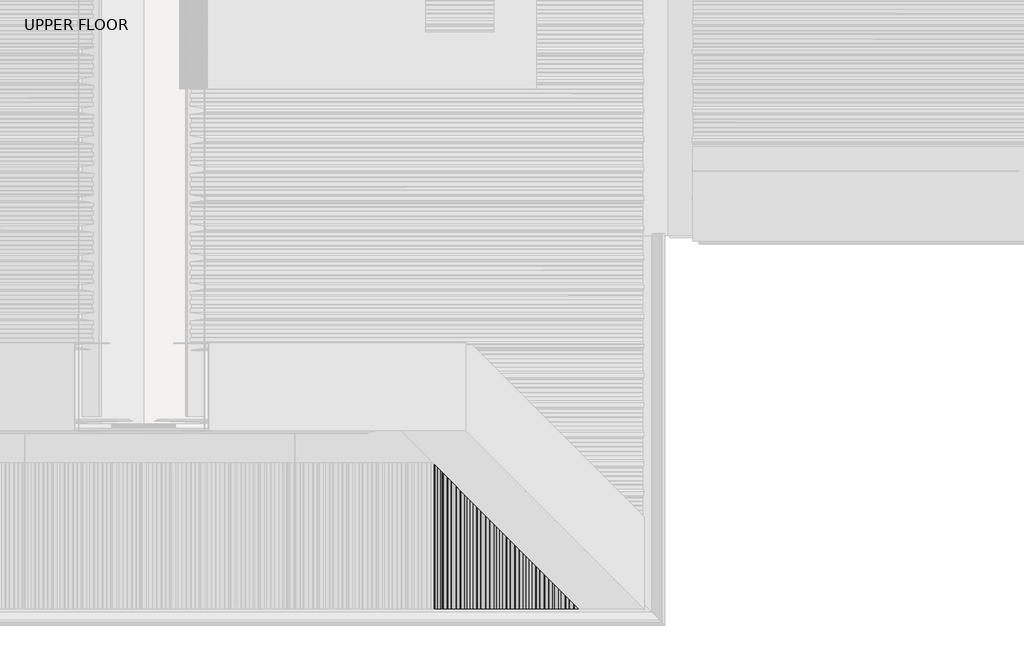
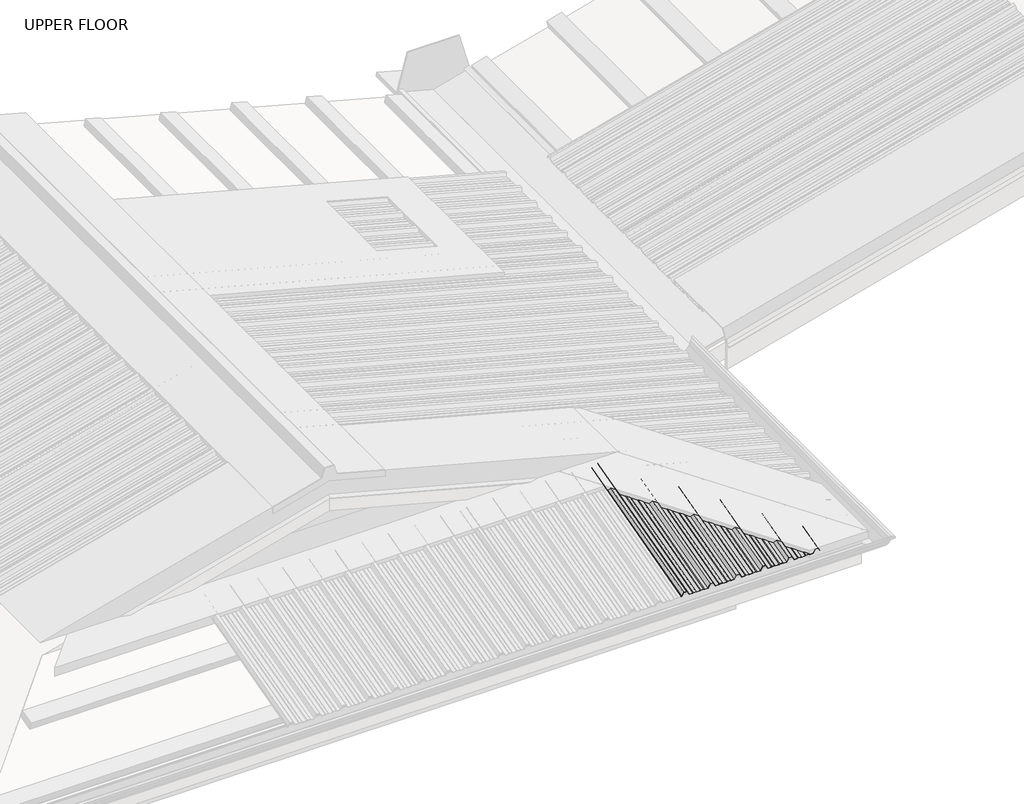
# One storey, part 8 of 21: 1 beam.
"""IFC4 building model written with IfcOpenShell, lengths in millimetres."""

import ifcopenshell
import ifcopenshell.guid

model = None  # the IFC model being written
_history = None  # IfcOwnerHistory: only IFC2X3 demands one
_inside = {}  # id of a spatial element -> (the spatial element, [elements in it])
_under = {}  # id of a project, library or spatial element -> (it, [spatial elements below it])
_declared = {}  # id of a project -> (the project, [libraries it declares])
_typed = {}  # id of a type object -> (the type object, [elements of that type])
_made_of = {}  # id of a material, layer set ... -> (it, [elements and type objects made of it])


def new_model(schema):
    """Start an empty IFC model of exactly this schema.

    Asked for "IFC4X3", IfcOpenShell would pick the latest addendum, in which some entities
    have other attributes; the version numbers below select the first issue.
    IFC2X3 requires an IfcOwnerHistory on every rooted entity: one is made here for all.
    """
    global model, _history
    if schema == "IFC4X3":
        model = ifcopenshell.file(schema_version=(4, 3, 0, 0))
    else:
        model = ifcopenshell.file(schema=schema)
    _inside.clear()
    _under.clear()
    _declared.clear()
    _typed.clear()
    _made_of.clear()
    _history = None
    if model.schema == "IFC2X3":
        org = make("IfcOrganization", Name="unknown")
        user = make(
            "IfcPersonAndOrganization",
            ThePerson=make("IfcPerson", FamilyName="unknown"),
            TheOrganization=org,
        )
        app = make(
            "IfcApplication",
            ApplicationDeveloper=org,
            Version="unknown",
            ApplicationFullName="unknown",
            ApplicationIdentifier="unknown",
        )
        _history = make(
            "IfcOwnerHistory",
            OwningUser=user,
            OwningApplication=app,
            ChangeAction="ADDED",
            CreationDate=0,
        )
    return model


def make(cls, **values):
    """One entity of the class cls with the attributes given. An attribute that is None is left unset."""
    return model.create_entity(
        cls, **{name: value for name, value in values.items() if value is not None}
    )


def rooted(cls, **values):
    """An entity with a GlobalId (a new one), such as an element, a storey or a relation."""
    return make(cls, GlobalId=ifcopenshell.guid.new(), OwnerHistory=_history, **values)


def si_unit(unit_type, name, prefix=None):
    """IfcSIUnit, for example si_unit("LENGTHUNIT", "METRE", prefix="MILLI")."""
    return make("IfcSIUnit", UnitType=unit_type, Prefix=prefix, Name=name)


def assignment(units):
    """IfcUnitAssignment: the units of a project."""
    return None if units is None else make("IfcUnitAssignment", Units=units)


def point(xyz):
    """IfcCartesianPoint."""
    return None if xyz is None else make("IfcCartesianPoint", Coordinates=xyz)


def direction(xyz):
    """IfcDirection."""
    return None if xyz is None else make("IfcDirection", DirectionRatios=xyz)


def frame(location, z_axis=None, x_axis=None):
    """IfcAxis2Placement3D, a coordinate frame: its origin and axes. An axis left out is left unset."""
    return make(
        "IfcAxis2Placement3D",
        Location=point(location),
        Axis=direction(z_axis),
        RefDirection=direction(x_axis),
    )


def origin():
    """The frame at (0, 0, 0) with its axes left unset."""
    return frame((0.0, 0.0, 0.0))


def place(relative_to, where):
    """IfcLocalPlacement: puts the frame where relative to a parent placement (None: the world)."""
    return make(
        "IfcLocalPlacement", PlacementRelTo=relative_to, RelativePlacement=where
    )


def context(
    kind, dimensions, precision=None, world=None, true_north=None, identifier=None
):
    """IfcGeometricRepresentationContext, for example the 3D "Model" context."""
    return make(
        "IfcGeometricRepresentationContext",
        ContextIdentifier=identifier,
        ContextType=kind,
        CoordinateSpaceDimension=dimensions,
        Precision=precision,
        WorldCoordinateSystem=world,
        TrueNorth=true_north,
    )


def project(units=None, contexts=None):
    """IfcProject with its units and contexts."""
    return rooted(
        "IfcProject",
        Name="project",
        RepresentationContexts=contexts,
        UnitsInContext=assignment(units),
    )


def spatial(cls, under=None, at=None, **own):
    """A site, building, storey or space (cls), placed at a placement, below another one or the project."""
    s = rooted(cls, ObjectPlacement=at, **own)
    if under is not None:
        _under.setdefault(under.id(), (under, []))[1].append(s)
    return s


def circle_curve(where, radius):
    """IfcCircle in the frame where."""
    return make("IfcCircle", Position=where, Radius=radius)


def ellipse_curve(where, semi_axis1, semi_axis2):
    """IfcEllipse in the frame where."""
    return make(
        "IfcEllipse", Position=where, SemiAxis1=semi_axis1, SemiAxis2=semi_axis2
    )


def shape(context_of_items, identifier, shape_type, items):
    """IfcShapeRepresentation: the items that make up one representation, for example the "Body"."""
    return make(
        "IfcShapeRepresentation",
        ContextOfItems=context_of_items,
        RepresentationIdentifier=identifier,
        RepresentationType=shape_type,
        Items=items,
    )


def made_of(thing, what):
    """Note that an element or type object is made of a material, layer set ...; save() writes the relation."""
    if what is not None:
        _made_of.setdefault(what.id(), (what, []))[1].append(thing)
    return thing


def element(
    cls,
    number,
    at=None,
    inside=None,
    cuts=None,
    type_object=None,
    material=None,
    context=None,
    identifier="Body",
    shape_type=None,
    held_by="IfcProductDefinitionShape",
    body=None,
    shapes=None,
    **own,
):
    """One element of the class cls, such as IfcWall. Its Tag is "e" and its number.

    at: its placement. inside: the storey or other place that contains it. cuts: it is an
    opening in that element (IfcRelVoidsElement). A single representation is given by context,
    identifier, shape_type and body (its items); several are given by shapes. held_by: the class
    of the entity that holds the representations. save() writes the other relations.
    """
    e = rooted(cls, Tag="e%d" % number, ObjectPlacement=at, **own)
    if body is not None:
        shapes = [shape(context, identifier, shape_type, body)]
    if shapes is not None:
        e.Representation = make(held_by, Representations=shapes)
    if inside is not None:
        _inside.setdefault(inside.id(), (inside, []))[1].append(e)
    if cuts is not None:
        rooted(
            "IfcRelVoidsElement", RelatingBuildingElement=cuts, RelatedOpeningElement=e
        )
    if type_object is not None:
        _typed.setdefault(type_object.id(), (type_object, []))[1].append(e)
    return made_of(e, material)


def aggregate(whole, parts):
    """IfcRelAggregates: a whole, such as a stair, and the parts it consists of."""
    return rooted("IfcRelAggregates", RelatingObject=whole, RelatedObjects=parts)


def save(model, path):
    """Write the relations noted so far, then the file.

    IfcRelAggregates (storeys below a building ...), IfcRelContainedInSpatialStructure (elements
    in a storey), IfcRelDefinesByType, IfcRelAssociatesMaterial and IfcRelDeclares: one each for
    every whole, place, type object, material and project.
    """
    for whole, parts in _under.values():
        aggregate(whole, parts)
    for where, things in _inside.values():
        rooted(
            "IfcRelContainedInSpatialStructure",
            RelatedElements=things,
            RelatingStructure=where,
        )
    for kind, things in _typed.values():
        rooted("IfcRelDefinesByType", RelatedObjects=things, RelatingType=kind)
    for what, things in _made_of.values():
        rooted("IfcRelAssociatesMaterial", RelatedObjects=things, RelatingMaterial=what)
    for by, libraries in _declared.values():
        rooted("IfcRelDeclares", RelatingContext=by, RelatedDefinitions=libraries)
    model.write(path)


def plane_surface(at):
    """IfcPlane: the flat surface through the origin of the frame at, square to its z axis."""
    return make("IfcPlane", Position=at)


def cylinder_surface(at, radius):
    """IfcCylindricalSurface: all points at the distance radius from the z axis of the frame at."""
    return make("IfcCylindricalSurface", Position=at, Radius=radius)


def advanced_brep(points, edges, surfaces, faces):
    """IfcAdvancedBrep: a solid bounded by faces that lie on surfaces and meet in shared edges.

    An edge is (start, end): straight between two places in points (the first is 0);
    or (start, end, curve); or (start, end, curve, False) where it runs against its curve.
    A face is (place in surfaces, loops), or (place, loops, False) where it looks against
    its surface's normal. A loop lists edges by number (the first is 1), with a minus sign
    where the edge is run from its end to its start. The first loop is the outer one.
    """
    corners = [point(p) for p in points]
    vertices = [make("IfcVertexPoint", VertexGeometry=c) for c in corners]
    made = []
    for start, end, *more in edges:
        made.append(
            make(
                "IfcEdgeCurve",
                EdgeStart=vertices[start],
                EdgeEnd=vertices[end],
                EdgeGeometry=more[0] if more else make("IfcPolyline", Points=[corners[start], corners[end]]),
                SameSense=more[1] if len(more) > 1 else True,
            )
        )
    hull = []
    for where, loops, *sense in faces:
        bounds = []
        for j, loop in enumerate(loops):
            ring = [make("IfcOrientedEdge", EdgeElement=made[abs(k) - 1], Orientation=k > 0) for k in loop]
            bounds.append(
                make(
                    "IfcFaceOuterBound" if j == 0 else "IfcFaceBound",
                    Bound=make("IfcEdgeLoop", EdgeList=ring),
                    Orientation=True,
                )
            )
        hull.append(make("IfcAdvancedFace", Bounds=bounds, FaceSurface=surfaces[where], SameSense=sense[0] if sense else True))
    return make("IfcAdvancedBrep", Outer=make("IfcClosedShell", CfsFaces=hull))


model = new_model("IFC4")

# Units and contexts
model_context = context("Model", 3, world=origin())
ifc_project = project(units=[si_unit("LENGTHUNIT", "METRE", prefix="MILLI")], contexts=[model_context])

# Site, building, storey
site = spatial("IfcSite", under=ifc_project)
building = spatial("IfcBuilding", under=site)
storey = spatial("IfcBuildingStorey", under=building, Name="UPPER FLOOR", Elevation=2700.0)

# Beam
placement = place(None, origin())
element("IfcBeam", 1, at=placement, inside=storey, context=model_context, shape_type="AdvancedBrep", body=[
    advanced_brep(
    [(3555.3061027, -3759.2956776, 3511.9124823), (3543.3207469, -3764.7308776, 3532.1969247), (3524.3195276, -3764.7308776, 3532.1969247), (3513.4502384, -3759.8133157, 3513.844334), (3510.0147087, -3759.8133157, 3513.844334), (3510.0147087, -3760.0721348, 3514.8102598), (3512.9508481, -3760.0721348, 3514.8102598), (3523.8201372, -3764.9896966, 3533.1628505), (3543.8201372, -3764.9896966, 3533.1628505), (3555.8054931, -3759.5544967, 3512.8784082), (3556.6897725, -3759.5544967, 3512.8784082), (3556.4309535, -3759.2956776, 3511.9124823), (4230.9306177, -4433.7953418, 3333.2513944), (4248.5374528, -4451.402177, 3328.5336571), (4248.5374528, -4660.4975954, 3272.5067086), (4230.9306177, -4660.4975954, 3272.5067086), (4227.6664536, -4430.5311778, 3332.0554721), (4227.6664536, -4660.4975954, 3270.4361563), (4205.3794454, -4408.2441696, 3338.027258), (4205.3794454, -4660.4975954, 3270.4361563), (4202.3379869, -4405.2027111, 3340.9127667), (4202.3379869, -4660.4975954, 3272.5067086), (4186.6721831, -4389.5369073, 3345.1104062), (4186.6721831, -4660.4975954, 3272.5067086), (4183.6285412, -4386.4932654, 3343.8553952), (4183.6285412, -4660.4975954, 3270.4361563), (4163.3061027, -4366.1708269, 3349.3007762), (4163.3061027, -4660.4975954, 3270.4361563), (4151.3207469, -4354.185471, 3374.2530424), (4151.3207469, -4660.4975954, 3292.176956), (4132.3195276, -4335.1842518, 3379.3444038), (4132.3195276, -4660.4975954, 3292.176956), (4120.3061027, -4323.1708269, 3360.8225915), (4120.3061027, -4660.4975954, 3270.4361563), (4100.6640548, -4303.528779, 3366.0856624), (4100.6640548, -4660.4975954, 3270.4361563), (4096.5374528, -4299.402177, 3369.2619344), (4096.5374528, -4660.4975954, 3272.5067086), (4078.9306177, -4281.7953418, 3373.9796716), (4078.9306177, -4660.4975954, 3272.5067086), (4075.6664536, -4278.5311778, 3372.7837494), (4075.6664536, -4660.4975954, 3270.4361563), (4053.3794454, -4256.2441696, 3378.7555352), (4053.3794454, -4660.4975954, 3270.4361563), (4050.3379869, -4253.2027111, 3381.641044), (4050.3379869, -4660.4975954, 3272.5067086), (4034.6721831, -4237.5369073, 3385.8386834), (4034.6721831, -4660.4975954, 3272.5067086), (4031.6285412, -4234.4932654, 3384.5836725), (4031.6285412, -4660.4975954, 3270.4361563), (4011.3061027, -4214.1708269, 3390.0290534), (4011.3061027, -4660.4975954, 3270.4361563), (3999.3207469, -4202.185471, 3414.9813197), (3999.3207469, -4660.4975954, 3292.176956), (3980.3195276, -4183.1842518, 3420.072681), (3980.3195276, -4660.4975954, 3292.176956), (3968.3061027, -4171.1708269, 3401.5508687), (3968.3061027, -4660.4975954, 3270.4361563), (3948.6640548, -4151.528779, 3406.8139396), (3948.6640548, -4660.4975954, 3270.4361563), (3944.5374528, -4147.402177, 3409.9902116), (3944.5374528, -4660.4975954, 3272.5067086), (3926.9306177, -4129.7953418, 3414.7079489), (3926.9306177, -4660.4975954, 3272.5067086), (3923.6664536, -4126.5311778, 3413.5120266), (3923.6664536, -4660.4975954, 3270.4361563), (3901.3794454, -4104.2441696, 3419.4838125), (3901.3794454, -4660.4975954, 3270.4361563), (3898.3379869, -4101.2027111, 3422.3693212), (3898.3379869, -4660.4975954, 3272.5067086), (3882.6721831, -4085.5369073, 3426.5669607), (3882.6721831, -4660.4975954, 3272.5067086), (3879.6285412, -4082.4932654, 3425.3119497), (3879.6285412, -4660.4975954, 3270.4361563), (3859.3061027, -4062.1708269, 3430.7573307), (3859.3061027, -4660.4975954, 3270.4361563), (3847.3207469, -4050.185471, 3455.7095969), (3847.3207469, -4660.4975954, 3292.176956), (3828.3195276, -4031.1842518, 3460.8009583), (3828.3195276, -4660.4975954, 3292.176956), (3816.3061027, -4019.1708269, 3442.279146), (3816.3061027, -4660.4975954, 3270.4361563), (3796.6640548, -3999.528779, 3447.5422169), (3796.6640548, -4660.4975954, 3270.4361563), (3792.5374528, -3995.402177, 3450.7184889), (3792.5374528, -4660.4975954, 3272.5067086), (3774.9306177, -3977.7953418, 3455.4362261), (3774.9306177, -4660.4975954, 3272.5067086), (3771.6664536, -3974.5311778, 3454.2403039), (3771.6664536, -4660.4975954, 3270.4361563), (3749.3794454, -3952.2441696, 3460.2120897), (3749.3794454, -4660.4975954, 3270.4361563), (3746.3379869, -3949.2027111, 3463.0975985), (3746.3379869, -4660.4975954, 3272.5067086), (3730.6721831, -3933.5369073, 3467.2952379), (3730.6721831, -4660.4975954, 3272.5067086), (3727.6285412, -3930.4932654, 3466.040227), (3727.6285412, -4660.4975954, 3270.4361563), (3707.3061027, -3910.1708269, 3471.4856079), (3707.3061027, -4660.4975954, 3270.4361563), (3695.3207469, -3898.185471, 3496.4378742), (3695.3207469, -4660.4975954, 3292.176956), (3676.3195276, -3879.1842518, 3501.5292355), (3676.3195276, -4660.4975954, 3292.176956), (3664.3061027, -3867.1708269, 3483.0074232), (3664.3061027, -4660.4975954, 3270.4361563), (3644.6640548, -3847.528779, 3488.2704941), (3644.6640548, -4660.4975954, 3270.4361563), (3640.5374528, -3843.402177, 3491.4467661), (3640.5374528, -4660.4975954, 3272.5067086), (3622.9306177, -3825.7953418, 3496.1645034), (3622.9306177, -4660.4975954, 3272.5067086), (3619.6664536, -3822.5311778, 3494.9685811), (3619.6664536, -4660.4975954, 3270.4361563), (3597.3794454, -3800.2441696, 3500.940367), (3597.3794454, -4660.4975954, 3270.4361563), (3594.3379869, -3797.2027111, 3503.8258757), (3594.3379869, -4660.4975954, 3272.5067086), (3578.6721831, -3781.5369073, 3508.0235152), (3578.6721831, -4660.4975954, 3272.5067086), (3575.6285412, -3778.4932654, 3506.7685042), (3575.6285412, -4660.4975954, 3270.4361563), (3555.3061027, -4660.4975954, 3270.4361563), (3543.3207469, -4660.4975954, 3292.176956), (3524.3195276, -4660.4975954, 3292.176956), (3513.4502384, -4660.4975954, 3272.5067086), (3510.0147087, -4660.4975954, 3272.5067086), (3510.0147087, -4660.4975954, 3273.5419848), (3512.9508481, -4660.4975954, 3273.5419848), (3523.8201372, -4660.4975954, 3293.2122322), (3543.8201372, -4660.4975954, 3293.2122322), (3555.8054931, -4660.4975954, 3271.4714324), (3575.3293902, -4660.4975954, 3271.4714324), (3575.3293902, -3778.1941143, 3507.8839377), (3578.3730321, -3781.2377562, 3509.1389487), (3578.3730321, -4660.4975954, 3273.5419848), (3594.6373174, -3797.5020416, 3504.7809465), (3594.6373174, -4660.4975954, 3273.5419848), (3597.6787759, -3800.5435001, 3501.8954378), (3597.6787759, -4660.4975954, 3271.4714324), (3619.3844584, -3822.2491826, 3496.0794177), (3619.3844584, -4660.4975954, 3271.4714324), (3622.6486224, -3825.5133466, 3497.27534), (3622.6486224, -4660.4975954, 3273.5419848), (3640.7670127, -3843.6317369, 3492.4205319), (3640.7670127, -4660.4975954, 3273.5419848), (3644.8936147, -3847.7583388, 3489.2442599), (3644.8936147, -4660.4975954, 3271.4714324), (3663.8067123, -3866.6714365, 3484.1765107), (3663.8067123, -4660.4975954, 3271.4714324), (3675.8201372, -3878.6848614, 3502.6983229), (3675.8201372, -4660.4975954, 3293.2122322), (3695.8201372, -3898.6848614, 3497.3393391), (3695.8201372, -4660.4975954, 3293.2122322), (3707.8054931, -3910.6702173, 3472.3870729), (3707.8054931, -4660.4975954, 3271.4714324), (3727.3293902, -3930.1941143, 3467.1556604), (3727.3293902, -4660.4975954, 3271.4714324), (3730.3730321, -3933.2377562, 3468.4106714), (3730.3730321, -4660.4975954, 3273.5419848), (3746.6373174, -3949.5020416, 3464.0526693), (3746.6373174, -4660.4975954, 3273.5419848), (3749.6787759, -3952.5435001, 3461.1671606), (3749.6787759, -4660.4975954, 3271.4714324), (3771.3844584, -3974.2491826, 3455.3511405), (3771.3844584, -4660.4975954, 3271.4714324), (3774.6486224, -3977.5133466, 3456.5470627), (3774.6486224, -4660.4975954, 3273.5419848), (3792.7670127, -3995.6317369, 3451.6922547), (3792.7670127, -4660.4975954, 3273.5419848), (3796.8936147, -3999.7583388, 3448.5159827), (3796.8936147, -4660.4975954, 3271.4714324), (3815.8067123, -4018.6714365, 3443.4482334), (3815.8067123, -4660.4975954, 3271.4714324), (3827.8201372, -4030.6848614, 3461.9700457), (3827.8201372, -4660.4975954, 3293.2122322), (3847.8201372, -4050.6848614, 3456.6110618), (3847.8201372, -4660.4975954, 3293.2122322), (3859.8054931, -4062.6702173, 3431.6587956), (3859.8054931, -4660.4975954, 3271.4714324), (3879.3293902, -4082.1941143, 3426.4273832), (3879.3293902, -4660.4975954, 3271.4714324), (3882.3730321, -4085.2377562, 3427.6823942), (3882.3730321, -4660.4975954, 3273.5419848), (3898.6373174, -4101.5020416, 3423.324392), (3898.6373174, -4660.4975954, 3273.5419848), (3901.6787759, -4104.5435001, 3420.4388833), (3901.6787759, -4660.4975954, 3271.4714324), (3923.3844584, -4126.2491826, 3414.6228632), (3923.3844584, -4660.4975954, 3271.4714324), (3926.6486224, -4129.5133466, 3415.8187855), (3926.6486224, -4660.4975954, 3273.5419848), (3944.7670127, -4147.6317369, 3410.9639774), (3944.7670127, -4660.4975954, 3273.5419848), (3948.8936147, -4151.7583388, 3407.7877054), (3948.8936147, -4660.4975954, 3271.4714324), (3967.8067123, -4170.6714365, 3402.7199562), (3967.8067123, -4660.4975954, 3271.4714324), (3979.8201372, -4182.6848614, 3421.2417684), (3979.8201372, -4660.4975954, 3293.2122322), (3999.8201372, -4202.6848614, 3415.8827846), (3999.8201372, -4660.4975954, 3293.2122322), (4011.8054931, -4214.6702173, 3390.9305184), (4011.8054931, -4660.4975954, 3271.4714324), (4031.3293902, -4234.1941143, 3385.6991059), (4031.3293902, -4660.4975954, 3271.4714324), (4034.3730321, -4237.2377562, 3386.9541169), (4034.3730321, -4660.4975954, 3273.5419848), (4050.6373174, -4253.5020416, 3382.5961148), (4050.6373174, -4660.4975954, 3273.5419848), (4053.6787759, -4256.5435001, 3379.7106061), (4053.6787759, -4660.4975954, 3271.4714324), (4075.3844584, -4278.2491826, 3373.894586), (4075.3844584, -4660.4975954, 3271.4714324), (4078.6486224, -4281.5133466, 3375.0905082), (4078.6486224, -4660.4975954, 3273.5419848), (4096.7670127, -4299.6317369, 3370.2357002), (4096.7670127, -4660.4975954, 3273.5419848), (4100.8936147, -4303.7583388, 3367.0594282), (4100.8936147, -4660.4975954, 3271.4714324), (4119.8067123, -4322.6714365, 3361.9916789), (4119.8067123, -4660.4975954, 3271.4714324), (4131.8201372, -4334.6848614, 3380.5134912), (4131.8201372, -4660.4975954, 3293.2122322), (4151.8201372, -4354.6848614, 3375.1545073), (4151.8201372, -4660.4975954, 3293.2122322), (4163.8054931, -4366.6702173, 3350.2022411), (4163.8054931, -4660.4975954, 3271.4714324), (4183.3293902, -4386.1941143, 3344.9708287), (4183.3293902, -4660.4975954, 3271.4714324), (4252.6640548, -4455.528779, 3325.3573851), (4252.6640548, -4660.4975954, 3270.4361563), (4186.3730321, -4389.2377562, 3346.2258397), (4186.3730321, -4660.4975954, 3273.5419848), (4202.6373174, -4405.5020416, 3341.8678375), (4202.6373174, -4660.4975954, 3273.5419848), (4205.6787759, -4408.5435001, 3338.9823288), (4205.6787759, -4660.4975954, 3271.4714324), (4227.3844584, -4430.2491826, 3333.1663087), (4227.3844584, -4660.4975954, 3271.4714324), (4230.6486224, -4433.5133466, 3334.362231), (4230.6486224, -4660.4975954, 3273.5419848), (4248.7670127, -4451.6317369, 3329.5074229), (4248.7670127, -4660.4975954, 3273.5419848), (4252.8936147, -4455.7583388, 3326.3311509), (4252.8936147, -4660.4975954, 3271.4714324), (4274.1108492, -4476.9755733, 3320.6460101), (4274.1108492, -4660.4975954, 3271.4714324), (4284.9801384, -4487.8448625, 3337.4038402), (4284.9801384, -4660.4975954, 3291.1416799), (4302.6587891, -4505.5235133, 3332.66686), (4302.6587891, -4660.4975954, 3291.1416799), (4310.651034, -4513.5157581, 3316.0278363), (4310.651034, -4660.4975954, 3276.6441717), (4309.8438422, -4512.7085664, 3315.7671818), (4309.8438422, -4660.4975954, 3276.1672308), (4302.1593987, -4505.0241229, 3331.7653951), (4302.1593987, -4660.4975954, 3290.1064037), (4285.4795288, -4488.3442529, 3336.2347528), (4285.4795288, -4660.4975954, 3290.1064037), (4274.6102396, -4477.4749637, 3319.4769226), (4274.6102396, -4660.4975954, 3270.4361563)],
    [
        (0, 1),
        (1, 2),
        (2, 3),
        (3, 4),
        (4, 5, circle_curve(frame((3510.0147087, -3759.9427253, 3514.3272969), z_axis=(0.0, 0.9659258262890683, 0.2588190451025206), x_axis=(-1.0000000000000002, 0.0, 0.0)), 0.5)),
        (5, 6),
        (6, 7),
        (7, 8),
        (8, 9),
        (9, 10),
        (10, 11),
        (11, 0),
        (12, 13),
        (13, 14),
        (14, 15),
        (15, 12),
        (16, 12),
        (15, 17),
        (17, 16),
        (18, 16),
        (17, 19),
        (19, 18),
        (20, 18),
        (19, 21),
        (21, 20),
        (22, 20),
        (21, 23),
        (23, 22),
        (24, 22),
        (23, 25),
        (25, 24),
        (26, 24),
        (25, 27),
        (27, 26),
        (28, 26),
        (27, 29),
        (29, 28),
        (30, 28),
        (29, 31),
        (31, 30),
        (32, 30),
        (31, 33),
        (33, 32),
        (34, 32),
        (33, 35),
        (35, 34),
        (36, 34),
        (35, 37),
        (37, 36),
        (38, 36),
        (37, 39),
        (39, 38),
        (40, 38),
        (39, 41),
        (41, 40),
        (42, 40),
        (41, 43),
        (43, 42),
        (44, 42),
        (43, 45),
        (45, 44),
        (46, 44),
        (45, 47),
        (47, 46),
        (48, 46),
        (47, 49),
        (49, 48),
        (50, 48),
        (49, 51),
        (51, 50),
        (52, 50),
        (51, 53),
        (53, 52),
        (54, 52),
        (53, 55),
        (55, 54),
        (56, 54),
        (55, 57),
        (57, 56),
        (58, 56),
        (57, 59),
        (59, 58),
        (60, 58),
        (59, 61),
        (61, 60),
        (62, 60),
        (61, 63),
        (63, 62),
        (64, 62),
        (63, 65),
        (65, 64),
        (66, 64),
        (65, 67),
        (67, 66),
        (68, 66),
        (67, 69),
        (69, 68),
        (70, 68),
        (69, 71),
        (71, 70),
        (72, 70),
        (71, 73),
        (73, 72),
        (74, 72),
        (73, 75),
        (75, 74),
        (76, 74),
        (75, 77),
        (77, 76),
        (78, 76),
        (77, 79),
        (79, 78),
        (80, 78),
        (79, 81),
        (81, 80),
        (82, 80),
        (81, 83),
        (83, 82),
        (84, 82),
        (83, 85),
        (85, 84),
        (86, 84),
        (85, 87),
        (87, 86),
        (88, 86),
        (87, 89),
        (89, 88),
        (90, 88),
        (89, 91),
        (91, 90),
        (92, 90),
        (91, 93),
        (93, 92),
        (94, 92),
        (93, 95),
        (95, 94),
        (96, 94),
        (95, 97),
        (97, 96),
        (98, 96),
        (97, 99),
        (99, 98),
        (100, 98),
        (99, 101),
        (101, 100),
        (102, 100),
        (101, 103),
        (103, 102),
        (104, 102),
        (103, 105),
        (105, 104),
        (106, 104),
        (105, 107),
        (107, 106),
        (108, 106),
        (107, 109),
        (109, 108),
        (110, 108),
        (109, 111),
        (111, 110),
        (112, 110),
        (111, 113),
        (113, 112),
        (114, 112),
        (113, 115),
        (115, 114),
        (116, 114),
        (115, 117),
        (117, 116),
        (118, 116),
        (117, 119),
        (119, 118),
        (120, 118),
        (119, 121),
        (121, 120),
        (11, 120),
        (121, 122),
        (122, 0),
        (122, 123),
        (123, 1),
        (123, 124),
        (124, 2),
        (124, 125),
        (125, 3),
        (125, 126),
        (126, 4),
        (126, 127, ellipse_curve(frame((3510.0147087, -4660.4975954, 3273.0243467), z_axis=(0.0, 1.0, 0.0), x_axis=(0.0, 0.0, 1.0)), 0.5176381, 0.5)),
        (127, 5),
        (127, 128),
        (128, 6),
        (128, 129),
        (129, 7),
        (129, 130),
        (130, 8),
        (130, 131),
        (131, 9),
        (131, 132),
        (132, 133),
        (133, 10),
        (134, 133),
        (132, 135),
        (135, 134),
        (136, 134),
        (135, 137),
        (137, 136),
        (138, 136),
        (137, 139),
        (139, 138),
        (140, 138),
        (139, 141),
        (141, 140),
        (142, 140),
        (141, 143),
        (143, 142),
        (144, 142),
        (143, 145),
        (145, 144),
        (146, 144),
        (145, 147),
        (147, 146),
        (148, 146),
        (147, 149),
        (149, 148),
        (150, 148),
        (149, 151),
        (151, 150),
        (152, 150),
        (151, 153),
        (153, 152),
        (154, 152),
        (153, 155),
        (155, 154),
        (156, 154),
        (155, 157),
        (157, 156),
        (158, 156),
        (157, 159),
        (159, 158),
        (160, 158),
        (159, 161),
        (161, 160),
        (162, 160),
        (161, 163),
        (163, 162),
        (164, 162),
        (163, 165),
        (165, 164),
        (166, 164),
        (165, 167),
        (167, 166),
        (168, 166),
        (167, 169),
        (169, 168),
        (170, 168),
        (169, 171),
        (171, 170),
        (172, 170),
        (171, 173),
        (173, 172),
        (174, 172),
        (173, 175),
        (175, 174),
        (176, 174),
        (175, 177),
        (177, 176),
        (178, 176),
        (177, 179),
        (179, 178),
        (180, 178),
        (179, 181),
        (181, 180),
        (182, 180),
        (181, 183),
        (183, 182),
        (184, 182),
        (183, 185),
        (185, 184),
        (186, 184),
        (185, 187),
        (187, 186),
        (188, 186),
        (187, 189),
        (189, 188),
        (190, 188),
        (189, 191),
        (191, 190),
        (192, 190),
        (191, 193),
        (193, 192),
        (194, 192),
        (193, 195),
        (195, 194),
        (196, 194),
        (195, 197),
        (197, 196),
        (198, 196),
        (197, 199),
        (199, 198),
        (200, 198),
        (199, 201),
        (201, 200),
        (202, 200),
        (201, 203),
        (203, 202),
        (204, 202),
        (203, 205),
        (205, 204),
        (206, 204),
        (205, 207),
        (207, 206),
        (208, 206),
        (207, 209),
        (209, 208),
        (210, 208),
        (209, 211),
        (211, 210),
        (212, 210),
        (211, 213),
        (213, 212),
        (214, 212),
        (213, 215),
        (215, 214),
        (216, 214),
        (215, 217),
        (217, 216),
        (218, 216),
        (217, 219),
        (219, 218),
        (220, 218),
        (219, 221),
        (221, 220),
        (222, 220),
        (221, 223),
        (223, 222),
        (224, 222),
        (223, 225),
        (225, 224),
        (226, 224),
        (225, 227),
        (227, 226),
        (228, 226),
        (227, 229),
        (229, 228),
        (13, 230),
        (230, 231),
        (231, 14),
        (232, 228),
        (229, 233),
        (233, 232),
        (234, 232),
        (233, 235),
        (235, 234),
        (236, 234),
        (235, 237),
        (237, 236),
        (238, 236),
        (237, 239),
        (239, 238),
        (240, 238),
        (239, 241),
        (241, 240),
        (242, 240),
        (241, 243),
        (243, 242),
        (244, 242),
        (243, 245),
        (245, 244),
        (246, 244),
        (245, 247),
        (247, 246),
        (248, 246),
        (247, 249),
        (249, 248),
        (250, 248),
        (249, 251),
        (251, 250),
        (252, 250),
        (251, 253),
        (253, 252),
        (254, 252, ellipse_curve(frame((4310.2474381, -4513.1121623, 3315.897509), z_axis=(-0.7071067811865475, -0.7071067811865476, 0.0), x_axis=(-0.6612248329466449, 0.6612248329466448, 0.3543493200069154)), 0.6803715, 0.4647024)),
        (253, 255, ellipse_curve(frame((4310.2474381, -4660.4975954, 3276.4057013), z_axis=(0.0, 1.0, 0.0), x_axis=(0.0, 0.0, 1.0)), 0.4810953, 0.4647024)),
        (255, 254),
        (256, 254),
        (255, 257),
        (257, 256),
        (258, 256),
        (257, 259),
        (259, 258),
        (260, 258),
        (259, 261),
        (261, 260),
        (230, 260),
        (261, 231),
    ],
    [
        plane_surface(frame((4252.6640548, -3759.2956776, 3511.9124823), z_axis=(0.0, 0.9659258262890684, 0.2588190451025203), x_axis=(-0.8998805887467904, -0.11288039666962545, 0.42127537554957795))),
        plane_surface(frame((4248.5374528, -3759.8133157, 3513.844334), z_axis=(0.0, 0.2588190451025206, -0.9659258262890683), x_axis=(0.0, -0.9659258262890683, -0.2588190451025206))),
        plane_surface(frame((4230.9306177, -3759.8133157, 3513.844334), z_axis=(0.5224449573492955, 0.2206880149246298, -0.8236188843202413), x_axis=(0.0, -0.9659258262890683, -0.2588190451025206))),
        plane_surface(frame((4227.6664536, -3759.2956776, 3511.9124823), z_axis=(0.0, 0.2588190451025206, -0.9659258262890683), x_axis=(0.0, -0.9659258262890683, -0.2588190451025206))),
        plane_surface(frame((4205.3794454, -3759.2956776, 3511.9124823), z_axis=(-0.5494325148836754, 0.2162531724200961, -0.8070678267697482), x_axis=(0.0, -0.9659258262890683, -0.2588190451025206))),
        plane_surface(frame((4202.3379869, -3759.8133157, 3513.844334), z_axis=(0.0, 0.2588190451025206, -0.9659258262890683), x_axis=(0.0, -0.9659258262890683, -0.2588190451025206))),
        plane_surface(frame((4186.6721831, -3759.8133157, 3513.844334), z_axis=(0.5491572662555969, 0.21630000128988544, -0.8072425944910705), x_axis=(0.0, -0.9659258262890683, -0.2588190451025206))),
        plane_surface(frame((4183.6285412, -3759.2956776, 3511.9124823), z_axis=(0.0, 0.2588190451025206, -0.9659258262890683), x_axis=(0.0, -0.9659258262890683, -0.2588190451025206))),
        plane_surface(frame((4163.3061027, -3759.2956776, 3511.9124823), z_axis=(-0.8685039140295309, 0.12829202185299526, -0.47879234376110924), x_axis=(0.0, -0.9659258262890683, -0.2588190451025206))),
        plane_surface(frame((4151.3207469, -3764.7308776, 3532.1969247), z_axis=(0.0, 0.2588190451025206, -0.9659258262890683), x_axis=(0.0, -0.9659258262890683, -0.2588190451025206))),
        plane_surface(frame((4132.3195276, -3764.7308776, 3532.1969247), z_axis=(0.8680040081860072, 0.12851845745027873, -0.47963741291482553), x_axis=(0.0, -0.9659258262890683, -0.2588190451025206))),
        plane_surface(frame((4120.3061027, -3759.2956776, 3511.9124823), z_axis=(0.0, 0.2588190451025206, -0.9659258262890683), x_axis=(0.0, -0.9659258262890683, -0.2588190451025206))),
        plane_surface(frame((4100.6640548, -3759.2956776, 3511.9124823), z_axis=(-0.43613636169978987, 0.23290623468573907, -0.8692179012467366), x_axis=(0.0, -0.9659258262890683, -0.2588190451025206))),
        plane_surface(frame((4096.5374528, -3759.8133157, 3513.844334), z_axis=(0.0, 0.2588190451025206, -0.9659258262890683), x_axis=(0.0, -0.9659258262890683, -0.2588190451025206))),
        plane_surface(frame((4078.9306177, -3759.8133157, 3513.844334), z_axis=(0.5224449573492995, 0.22068801492462917, -0.823618884320239), x_axis=(0.0, -0.9659258262890683, -0.2588190451025206))),
        plane_surface(frame((4075.6664536, -3759.2956776, 3511.9124823), z_axis=(0.0, 0.2588190451025206, -0.9659258262890683), x_axis=(0.0, -0.9659258262890683, -0.2588190451025206))),
        plane_surface(frame((4053.3794454, -3759.2956776, 3511.9124823), z_axis=(-0.5494325148836772, 0.21625317242009579, -0.807067826769747), x_axis=(0.0, -0.9659258262890683, -0.2588190451025206))),
        plane_surface(frame((4050.3379869, -3759.8133157, 3513.844334), z_axis=(0.0, 0.2588190451025206, -0.9659258262890683), x_axis=(0.0, -0.9659258262890683, -0.2588190451025206))),
        plane_surface(frame((4034.6721831, -3759.8133157, 3513.844334), z_axis=(0.5491572662555921, 0.21630000128988627, -0.8072425944910736), x_axis=(0.0, -0.9659258262890683, -0.2588190451025206))),
        plane_surface(frame((4031.6285412, -3759.2956776, 3511.9124823), z_axis=(0.0, 0.2588190451025206, -0.9659258262890683), x_axis=(0.0, -0.9659258262890683, -0.2588190451025206))),
        plane_surface(frame((4011.3061027, -3759.2956776, 3511.9124823), z_axis=(-0.8685039140295301, 0.12829202185299549, -0.4787923437611103), x_axis=(0.0, -0.9659258262890683, -0.2588190451025206))),
        plane_surface(frame((3999.3207469, -3764.7308776, 3532.1969247), z_axis=(0.0, 0.2588190451025206, -0.9659258262890683), x_axis=(0.0, -0.9659258262890683, -0.2588190451025206))),
        plane_surface(frame((3980.3195276, -3764.7308776, 3532.1969247), z_axis=(0.8680040081860078, 0.12851845745027846, -0.4796374129148245), x_axis=(0.0, -0.9659258262890683, -0.2588190451025206))),
        plane_surface(frame((3968.3061027, -3759.2956776, 3511.9124823), z_axis=(0.0, 0.2588190451025206, -0.9659258262890683), x_axis=(0.0, -0.9659258262890683, -0.2588190451025206))),
        plane_surface(frame((3948.6640548, -3759.2956776, 3511.9124823), z_axis=(-0.436136361699787, 0.23290623468573945, -0.8692179012467379), x_axis=(0.0, -0.9659258262890683, -0.2588190451025206))),
        plane_surface(frame((3944.5374528, -3759.8133157, 3513.844334), z_axis=(0.0, 0.2588190451025206, -0.9659258262890683), x_axis=(0.0, -0.9659258262890683, -0.2588190451025206))),
        plane_surface(frame((3926.9306177, -3759.8133157, 3513.844334), z_axis=(0.522444957349302, 0.2206880149246288, -0.8236188843202376), x_axis=(0.0, -0.9659258262890683, -0.2588190451025206))),
        plane_surface(frame((3923.6664536, -3759.2956776, 3511.9124823), z_axis=(0.0, 0.2588190451025206, -0.9659258262890683), x_axis=(0.0, -0.9659258262890683, -0.2588190451025206))),
        plane_surface(frame((3901.3794454, -3759.2956776, 3511.9124823), z_axis=(-0.5494325148836601, 0.21625317242009867, -0.8070678267697579), x_axis=(0.0, -0.9659258262890683, -0.2588190451025206))),
        plane_surface(frame((3898.3379869, -3759.8133157, 3513.844334), z_axis=(0.0, 0.2588190451025206, -0.9659258262890683), x_axis=(0.0, -0.9659258262890683, -0.2588190451025206))),
        plane_surface(frame((3882.6721831, -3759.8133157, 3513.844334), z_axis=(0.5491572662555921, 0.21630000128988627, -0.8072425944910736), x_axis=(0.0, -0.9659258262890683, -0.2588190451025206))),
        plane_surface(frame((3879.6285412, -3759.2956776, 3511.9124823), z_axis=(0.0, 0.2588190451025206, -0.9659258262890683), x_axis=(0.0, -0.9659258262890683, -0.2588190451025206))),
        plane_surface(frame((3859.3061027, -3759.2956776, 3511.9124823), z_axis=(-0.8685039140295309, 0.12829202185299524, -0.47879234376110924), x_axis=(0.0, -0.9659258262890683, -0.2588190451025206))),
        plane_surface(frame((3847.3207469, -3764.7308776, 3532.1969247), z_axis=(0.0, 0.2588190451025206, -0.9659258262890683), x_axis=(0.0, -0.9659258262890683, -0.2588190451025206))),
        plane_surface(frame((3828.3195276, -3764.7308776, 3532.1969247), z_axis=(0.8680040081860078, 0.12851845745027846, -0.4796374129148245), x_axis=(0.0, -0.9659258262890683, -0.2588190451025206))),
        plane_surface(frame((3816.3061027, -3759.2956776, 3511.9124823), z_axis=(0.0, 0.2588190451025206, -0.9659258262890683), x_axis=(0.0, -0.9659258262890683, -0.2588190451025206))),
        plane_surface(frame((3796.6640548, -3759.2956776, 3511.9124823), z_axis=(-0.43613636169978987, 0.23290623468573907, -0.8692179012467366), x_axis=(0.0, -0.9659258262890683, -0.2588190451025206))),
        plane_surface(frame((3792.5374528, -3759.8133157, 3513.844334), z_axis=(0.0, 0.2588190451025206, -0.9659258262890683), x_axis=(0.0, -0.9659258262890683, -0.2588190451025206))),
        plane_surface(frame((3774.9306177, -3759.8133157, 3513.844334), z_axis=(0.5224449573492986, 0.22068801492462928, -0.8236188843202394), x_axis=(0.0, -0.9659258262890683, -0.2588190451025206))),
        plane_surface(frame((3771.6664536, -3759.2956776, 3511.9124823), z_axis=(0.0, 0.2588190451025206, -0.9659258262890683), x_axis=(0.0, -0.9659258262890683, -0.2588190451025206))),
        plane_surface(frame((3749.3794454, -3759.2956776, 3511.9124823), z_axis=(-0.5494325148836686, 0.21625317242009726, -0.8070678267697524), x_axis=(0.0, -0.9659258262890683, -0.2588190451025206))),
        plane_surface(frame((3746.3379869, -3759.8133157, 3513.844334), z_axis=(0.0, 0.2588190451025206, -0.9659258262890683), x_axis=(0.0, -0.9659258262890683, -0.2588190451025206))),
        plane_surface(frame((3730.6721831, -3759.8133157, 3513.844334), z_axis=(0.5491572662555904, 0.21630000128988655, -0.8072425944910747), x_axis=(0.0, -0.9659258262890683, -0.2588190451025206))),
        plane_surface(frame((3727.6285412, -3759.2956776, 3511.9124823), z_axis=(0.0, 0.2588190451025206, -0.9659258262890683), x_axis=(0.0, -0.9659258262890683, -0.2588190451025206))),
        plane_surface(frame((3707.3061027, -3759.2956776, 3511.9124823), z_axis=(-0.8685039140295304, 0.12829202185299524, -0.4787923437611093), x_axis=(0.0, -0.9659258262890683, -0.2588190451025206))),
        plane_surface(frame((3695.3207469, -3764.7308776, 3532.1969247), z_axis=(0.0, 0.2588190451025206, -0.9659258262890683), x_axis=(0.0, -0.9659258262890683, -0.2588190451025206))),
        plane_surface(frame((3676.3195276, -3764.7308776, 3532.1969247), z_axis=(0.8680040081860078, 0.12851845745027823, -0.47963741291482453), x_axis=(0.0, -0.9659258262890683, -0.2588190451025205))),
        plane_surface(frame((3664.3061027, -3759.2956776, 3511.9124823), z_axis=(0.0, 0.2588190451025206, -0.9659258262890683), x_axis=(0.0, -0.9659258262890683, -0.2588190451025206))),
        plane_surface(frame((3644.6640548, -3759.2956776, 3511.9124823), z_axis=(-0.4361363616997928, 0.23290623468573884, -0.8692179012467353), x_axis=(0.0, -0.9659258262890683, -0.25881904510252063))),
        plane_surface(frame((3640.5374528, -3759.8133157, 3513.844334), z_axis=(0.0, 0.2588190451025206, -0.9659258262890683), x_axis=(0.0, -0.9659258262890683, -0.2588190451025206))),
        plane_surface(frame((3622.9306177, -3759.8133157, 3513.844334), z_axis=(0.5224449573492986, 0.22068801492462925, -0.8236188843202394), x_axis=(0.0, -0.9659258262890683, -0.2588190451025206))),
        plane_surface(frame((3619.6664536, -3759.2956776, 3511.9124823), z_axis=(0.0, 0.2588190451025206, -0.9659258262890683), x_axis=(0.0, -0.9659258262890683, -0.2588190451025206))),
        plane_surface(frame((3597.3794454, -3759.2956776, 3511.9124823), z_axis=(-0.5494325148836804, 0.21625317242009529, -0.807067826769745), x_axis=(0.0, -0.9659258262890683, -0.2588190451025206))),
        plane_surface(frame((3594.3379869, -3759.8133157, 3513.844334), z_axis=(0.0, 0.2588190451025206, -0.9659258262890683), x_axis=(0.0, -0.9659258262890683, -0.2588190451025206))),
        plane_surface(frame((3578.6721831, -3759.8133157, 3513.844334), z_axis=(0.5491572662555952, 0.21630000128988566, -0.8072425944910716), x_axis=(0.0, -0.9659258262890683, -0.2588190451025206))),
        plane_surface(frame((3575.6285412, -3759.2956776, 3511.9124823), z_axis=(0.0, 0.2588190451025206, -0.9659258262890683), x_axis=(0.0, -0.9659258262890683, -0.2588190451025206))),
        plane_surface(frame((3555.3061027, -3759.2956776, 3511.9124823), z_axis=(-0.868503914029533, 0.12829202185299426, -0.47879234376110547), x_axis=(0.0, -0.9659258262890683, -0.2588190451025206))),
        plane_surface(frame((3543.3207469, -3764.7308776, 3532.1969247), z_axis=(0.0, 0.2588190451025206, -0.9659258262890683), x_axis=(0.0, -0.9659258262890683, -0.2588190451025206))),
        plane_surface(frame((3524.3195276, -3764.7308776, 3532.1969247), z_axis=(0.8680040081860114, 0.12851845745027676, -0.4796374129148184), x_axis=(0.0, -0.9659258262890683, -0.2588190451025206))),
        plane_surface(frame((3513.4502384, -3759.8133157, 3513.844334), z_axis=(0.0, 0.2588190451025206, -0.9659258262890683), x_axis=(0.0, -0.9659258262890683, -0.2588190451025206))),
        cylinder_surface(frame((3510.0147087, -4672.7430827, 3269.7431783), z_axis=(0.0, 0.9659258262890683, 0.2588190451025206), x_axis=(-1.0000000000000002, 0.0, 0.0)), 0.5),
        plane_surface(frame((3510.0147087, -3760.0721348, 3514.8102598), z_axis=(0.0, -0.2588190451025206, 0.9659258262890683), x_axis=(0.0, -0.9659258262890683, -0.2588190451025206))),
        plane_surface(frame((3512.9508481, -3760.0721348, 3514.8102598), z_axis=(-0.8680040081860114, -0.12851845745027676, 0.4796374129148184), x_axis=(0.0, -0.9659258262890683, -0.2588190451025206))),
        plane_surface(frame((3523.8201372, -3764.9896966, 3533.1628505), z_axis=(0.0, -0.2588190451025206, 0.9659258262890683), x_axis=(0.0, -0.9659258262890683, -0.2588190451025206))),
        plane_surface(frame((3543.8201372, -3764.9896966, 3533.1628505), z_axis=(0.8685039140295302, -0.1282920218529955, 0.4787923437611101), x_axis=(0.0, -0.9659258262890683, -0.2588190451025206))),
        plane_surface(frame((3555.8054931, -3759.5544967, 3512.8784082), z_axis=(0.0, -0.2588190451025206, 0.9659258262890683), x_axis=(0.0, -0.9659258262890683, -0.2588190451025206))),
        plane_surface(frame((3575.3293902, -3759.5544967, 3512.8784082), z_axis=(-0.549157266255592, -0.21630000128988622, 0.8072425944910736), x_axis=(0.0, -0.9659258262890683, -0.2588190451025206))),
        plane_surface(frame((3578.3730321, -3760.0721348, 3514.8102598), z_axis=(0.0, -0.2588190451025206, 0.9659258262890683), x_axis=(0.0, -0.9659258262890683, -0.2588190451025206))),
        plane_surface(frame((3594.6373174, -3760.0721348, 3514.8102598), z_axis=(0.5494325148836804, -0.21625317242009529, 0.807067826769745), x_axis=(0.0, -0.9659258262890683, -0.2588190451025206))),
        plane_surface(frame((3597.6787759, -3759.5544967, 3512.8784082), z_axis=(0.0, -0.2588190451025206, 0.9659258262890683), x_axis=(0.0, -0.9659258262890683, -0.2588190451025206))),
        plane_surface(frame((3619.3844584, -3759.5544967, 3512.8784082), z_axis=(-0.5224449573493112, -0.22068801492462728, 0.823618884320232), x_axis=(0.0, -0.9659258262890683, -0.2588190451025206))),
        plane_surface(frame((3622.6486224, -3760.0721348, 3514.8102598), z_axis=(0.0, -0.2588190451025206, 0.9659258262890683), x_axis=(0.0, -0.9659258262890683, -0.2588190451025206))),
        plane_surface(frame((3640.7670127, -3760.0721348, 3514.8102598), z_axis=(0.43613636169978987, -0.2329062346857391, 0.8692179012467366), x_axis=(0.0, -0.9659258262890683, -0.2588190451025206))),
        plane_surface(frame((3644.8936147, -3759.5544967, 3512.8784082), z_axis=(0.0, -0.2588190451025206, 0.9659258262890683), x_axis=(0.0, -0.9659258262890683, -0.2588190451025206))),
        plane_surface(frame((3663.8067123, -3759.5544967, 3512.8784082), z_axis=(-0.8680040081860076, -0.12851845745027848, 0.47963741291482476), x_axis=(0.0, -0.9659258262890683, -0.2588190451025206))),
        plane_surface(frame((3675.8201372, -3764.9896966, 3533.1628505), z_axis=(0.0, -0.2588190451025205, 0.9659258262890683), x_axis=(0.0, -0.9659258262890683, -0.2588190451025205))),
        plane_surface(frame((3695.8201372, -3764.9896966, 3533.1628505), z_axis=(0.8685039140295304, -0.1282920218529953, 0.47879234376110946), x_axis=(0.0, -0.9659258262890683, -0.2588190451025206))),
        plane_surface(frame((3707.8054931, -3759.5544967, 3512.8784082), z_axis=(0.0, -0.2588190451025206, 0.9659258262890683), x_axis=(0.0, -0.9659258262890683, -0.2588190451025206))),
        plane_surface(frame((3727.3293902, -3759.5544967, 3512.8784082), z_axis=(-0.5491572662555889, -0.21630000128988683, 0.8072425944910757), x_axis=(0.0, -0.9659258262890683, -0.2588190451025206))),
        plane_surface(frame((3730.3730321, -3760.0721348, 3514.8102598), z_axis=(0.0, -0.2588190451025206, 0.9659258262890683), x_axis=(0.0, -0.9659258262890683, -0.2588190451025206))),
        plane_surface(frame((3746.6373174, -3760.0721348, 3514.8102598), z_axis=(0.5494325148836653, -0.21625317242009776, 0.8070678267697544), x_axis=(0.0, -0.9659258262890683, -0.2588190451025206))),
        plane_surface(frame((3749.6787759, -3759.5544967, 3512.8784082), z_axis=(0.0, -0.2588190451025206, 0.9659258262890683), x_axis=(0.0, -0.9659258262890683, -0.2588190451025206))),
        plane_surface(frame((3771.3844584, -3759.5544967, 3512.8784082), z_axis=(-0.5224449573493032, -0.22068801492462856, 0.8236188843202368), x_axis=(0.0, -0.9659258262890683, -0.2588190451025206))),
        plane_surface(frame((3774.6486224, -3760.0721348, 3514.8102598), z_axis=(0.0, -0.2588190451025206, 0.9659258262890683), x_axis=(0.0, -0.9659258262890683, -0.2588190451025206))),
        plane_surface(frame((3792.7670127, -3760.0721348, 3514.8102598), z_axis=(0.436136361699781, -0.23290623468574018, 0.8692179012467407), x_axis=(0.0, -0.9659258262890683, -0.2588190451025206))),
        plane_surface(frame((3796.8936147, -3759.5544967, 3512.8784082), z_axis=(0.0, -0.2588190451025206, 0.9659258262890683), x_axis=(0.0, -0.9659258262890683, -0.2588190451025206))),
        plane_surface(frame((3815.8067123, -3759.5544967, 3512.8784082), z_axis=(-0.8680040081860066, -0.128518457450279, 0.4796374129148265), x_axis=(0.0, -0.9659258262890683, -0.2588190451025206))),
        plane_surface(frame((3827.8201372, -3764.9896966, 3533.1628505), z_axis=(0.0, -0.2588190451025206, 0.9659258262890683), x_axis=(0.0, -0.9659258262890683, -0.2588190451025206))),
        plane_surface(frame((3847.8201372, -3764.9896966, 3533.1628505), z_axis=(0.8685039140295309, -0.12829202185299524, 0.47879234376110924), x_axis=(0.0, -0.9659258262890683, -0.2588190451025206))),
        plane_surface(frame((3859.8054931, -3759.5544967, 3512.8784082), z_axis=(0.0, -0.2588190451025206, 0.9659258262890683), x_axis=(0.0, -0.9659258262890683, -0.2588190451025206))),
        plane_surface(frame((3879.3293902, -3759.5544967, 3512.8784082), z_axis=(-0.5491572662555921, -0.21630000128988627, 0.8072425944910736), x_axis=(0.0, -0.9659258262890683, -0.2588190451025206))),
        plane_surface(frame((3882.3730321, -3760.0721348, 3514.8102598), z_axis=(0.0, -0.2588190451025206, 0.9659258262890683), x_axis=(0.0, -0.9659258262890683, -0.2588190451025206))),
        plane_surface(frame((3898.6373174, -3760.0721348, 3514.8102598), z_axis=(0.5494325148836601, -0.21625317242009867, 0.8070678267697579), x_axis=(0.0, -0.9659258262890683, -0.2588190451025206))),
        plane_surface(frame((3901.6787759, -3759.5544967, 3512.8784082), z_axis=(0.0, -0.2588190451025206, 0.9659258262890683), x_axis=(0.0, -0.9659258262890683, -0.2588190451025206))),
        plane_surface(frame((3923.3844584, -3759.5544967, 3512.8784082), z_axis=(-0.5224449573492955, -0.2206880149246298, 0.8236188843202413), x_axis=(0.0, -0.9659258262890683, -0.2588190451025206))),
        plane_surface(frame((3926.6486224, -3760.0721348, 3514.8102598), z_axis=(0.0, -0.2588190451025206, 0.9659258262890683), x_axis=(0.0, -0.9659258262890683, -0.2588190451025206))),
        plane_surface(frame((3944.7670127, -3760.0721348, 3514.8102598), z_axis=(0.436136361699784, -0.2329062346857398, 0.8692179012467393), x_axis=(0.0, -0.9659258262890683, -0.2588190451025206))),
        plane_surface(frame((3948.8936147, -3759.5544967, 3512.8784082), z_axis=(0.0, -0.2588190451025206, 0.9659258262890683), x_axis=(0.0, -0.9659258262890683, -0.2588190451025206))),
        plane_surface(frame((3967.8067123, -3759.5544967, 3512.8784082), z_axis=(-0.8680040081860054, -0.12851845745027948, 0.4796374129148286), x_axis=(0.0, -0.9659258262890683, -0.2588190451025206))),
        plane_surface(frame((3979.8201372, -3764.9896966, 3533.1628505), z_axis=(0.0, -0.2588190451025206, 0.9659258262890683), x_axis=(0.0, -0.9659258262890683, -0.2588190451025206))),
        plane_surface(frame((3999.8201372, -3764.9896966, 3533.1628505), z_axis=(0.8685039140295304, -0.1282920218529953, 0.47879234376110946), x_axis=(0.0, -0.9659258262890683, -0.2588190451025206))),
        plane_surface(frame((4011.8054931, -3759.5544967, 3512.8784082), z_axis=(0.0, -0.2588190451025206, 0.9659258262890683), x_axis=(0.0, -0.9659258262890683, -0.2588190451025206))),
        plane_surface(frame((4031.3293902, -3759.5544967, 3512.8784082), z_axis=(-0.5491572662555889, -0.21630000128988683, 0.8072425944910757), x_axis=(0.0, -0.9659258262890683, -0.2588190451025206))),
        plane_surface(frame((4034.3730321, -3760.0721348, 3514.8102598), z_axis=(0.0, -0.2588190451025206, 0.9659258262890683), x_axis=(0.0, -0.9659258262890683, -0.2588190451025206))),
        plane_surface(frame((4050.6373174, -3760.0721348, 3514.8102598), z_axis=(0.5494325148836695, -0.21625317242009703, 0.8070678267697518), x_axis=(0.0, -0.9659258262890683, -0.2588190451025206))),
        plane_surface(frame((4053.6787759, -3759.5544967, 3512.8784082), z_axis=(0.0, -0.2588190451025206, 0.9659258262890683), x_axis=(0.0, -0.9659258262890683, -0.2588190451025206))),
        plane_surface(frame((4075.3844584, -3759.5544967, 3512.8784082), z_axis=(-0.5224449573493073, -0.22068801492462795, 0.8236188843202343), x_axis=(0.0, -0.9659258262890683, -0.2588190451025206))),
        plane_surface(frame((4078.6486224, -3760.0721348, 3514.8102598), z_axis=(0.0, -0.2588190451025206, 0.9659258262890683), x_axis=(0.0, -0.9659258262890683, -0.2588190451025206))),
        plane_surface(frame((4096.7670127, -3760.0721348, 3514.8102598), z_axis=(0.4361363616997869, -0.23290623468573943, 0.8692179012467379), x_axis=(0.0, -0.9659258262890683, -0.2588190451025206))),
        plane_surface(frame((4100.8936147, -3759.5544967, 3512.8784082), z_axis=(0.0, -0.2588190451025206, 0.9659258262890683), x_axis=(0.0, -0.9659258262890683, -0.2588190451025206))),
        plane_surface(frame((4119.8067123, -3759.5544967, 3512.8784082), z_axis=(-0.868004008186007, -0.1285184574502788, 0.47963741291482576), x_axis=(0.0, -0.9659258262890683, -0.2588190451025206))),
        plane_surface(frame((4131.8201372, -3764.9896966, 3533.1628505), z_axis=(0.0, -0.2588190451025206, 0.9659258262890683), x_axis=(0.0, -0.9659258262890683, -0.2588190451025206))),
        plane_surface(frame((4151.8201372, -3764.9896966, 3533.1628505), z_axis=(0.8685039140295304, -0.1282920218529953, 0.47879234376110946), x_axis=(0.0, -0.9659258262890683, -0.2588190451025206))),
        plane_surface(frame((4163.8054931, -3759.5544967, 3512.8784082), z_axis=(0.0, -0.2588190451025206, 0.9659258262890683), x_axis=(0.0, -0.9659258262890683, -0.2588190451025206))),
        plane_surface(frame((4252.6640548, -3759.2956776, 3511.9124823), z_axis=(-0.43613636169978987, 0.23290623468573907, -0.8692179012467366), x_axis=(0.0, -0.9659258262890683, -0.2588190451025206))),
        plane_surface(frame((4183.3293902, -3759.5544967, 3512.8784082), z_axis=(-0.5491572662555937, -0.21630000128988602, 0.8072425944910727), x_axis=(0.0, -0.9659258262890683, -0.2588190451025206))),
        plane_surface(frame((4186.3730321, -3760.0721348, 3514.8102598), z_axis=(0.0, -0.2588190451025206, 0.9659258262890683), x_axis=(0.0, -0.9659258262890683, -0.2588190451025206))),
        plane_surface(frame((4202.6373174, -3760.0721348, 3514.8102598), z_axis=(0.5494325148836706, -0.2162531724200969, 0.8070678267697512), x_axis=(0.0, -0.9659258262890683, -0.2588190451025206))),
        plane_surface(frame((4205.6787759, -3759.5544967, 3512.8784082), z_axis=(0.0, -0.2588190451025206, 0.9659258262890683), x_axis=(0.0, -0.9659258262890683, -0.2588190451025206))),
        plane_surface(frame((4227.3844584, -3759.5544967, 3512.8784082), z_axis=(-0.5224449573493064, -0.22068801492462808, 0.8236188843202349), x_axis=(0.0, -0.9659258262890683, -0.2588190451025206))),
        plane_surface(frame((4230.6486224, -3760.0721348, 3514.8102598), z_axis=(0.0, -0.2588190451025206, 0.9659258262890683), x_axis=(0.0, -0.9659258262890683, -0.2588190451025206))),
        plane_surface(frame((4248.7670127, -3760.0721348, 3514.8102598), z_axis=(0.4361363616997868, -0.23290623468573945, 0.869217901246738), x_axis=(0.0, -0.9659258262890683, -0.2588190451025206))),
        plane_surface(frame((4252.8936147, -3759.5544967, 3512.8784082), z_axis=(0.0, -0.2588190451025206, 0.9659258262890683), x_axis=(0.0, -0.9659258262890683, -0.2588190451025206))),
        plane_surface(frame((4274.1108492, -3759.5544967, 3512.8784082), z_axis=(-0.8680040081860063, -0.12851845745027915, 0.47963741291482703), x_axis=(0.0, -0.9659258262890683, -0.2588190451025206))),
        plane_surface(frame((4284.9801384, -3764.4720586, 3531.2309989), z_axis=(0.0, -0.2588190451025206, 0.9659258262890683), x_axis=(0.0, -0.9659258262890683, -0.2588190451025206))),
        plane_surface(frame((4302.6587891, -3764.4720586, 3531.2309989), z_axis=(0.8685039140295301, -0.1282920218529954, 0.4787923437611099), x_axis=(0.0, -0.9659258262890683, -0.2588190451025206))),
        cylinder_surface(frame((4310.2474381, -4673.5884213, 3272.898025), z_axis=(0.0, 0.9659258262890683, 0.2588190451025206), x_axis=(-1.0000000000000002, 0.0, 0.0)), 0.4647024),
        plane_surface(frame((4309.8438422, -3760.7284463, 3517.2596477), z_axis=(-0.8685039140294998, 0.12829202185300922, -0.4787923437611615), x_axis=(0.0, -0.9659258262890683, -0.2588190451025206))),
        plane_surface(frame((4302.1593987, -3764.2132395, 3530.265073), z_axis=(0.0, 0.2588190451025206, -0.9659258262890683), x_axis=(0.0, -0.9659258262890683, -0.2588190451025206))),
        plane_surface(frame((4285.4795288, -3764.2132395, 3530.265073), z_axis=(0.868004008186008, 0.12851845745027835, -0.4796374129148241), x_axis=(0.0, -0.9659258262890683, -0.2588190451025206))),
        plane_surface(frame((4274.6102396, -3759.2956776, 3511.9124823), z_axis=(0.0, 0.2588190451025206, -0.9659258262890683), x_axis=(0.0, -0.9659258262890683, -0.2588190451025206))),
        plane_surface(frame((5647.8362322, -5850.7009563, 4168.077193), z_axis=(0.7071067811865475, 0.7071067811865476, 0.0), x_axis=(0.0, 0.0, -1.0))),
        plane_surface(frame((-2069.0902423, -4660.4975954, 4094.1480288), z_axis=(0.0, -1.0, 0.0), x_axis=(0.0, 0.0, -1.0))),
    ],
    [
        (0, [[1, 2, 3, 4, 5, 6, 7, 8, 9, 10, 11, 12]]),
        (1, [[13, 14, 15, 16]]),
        (2, [[17, -16, 18, 19]]),
        (3, [[20, -19, 21, 22]]),
        (4, [[23, -22, 24, 25]]),
        (5, [[26, -25, 27, 28]]),
        (6, [[29, -28, 30, 31]]),
        (7, [[32, -31, 33, 34]]),
        (8, [[35, -34, 36, 37]]),
        (9, [[38, -37, 39, 40]]),
        (10, [[41, -40, 42, 43]]),
        (11, [[44, -43, 45, 46]]),
        (12, [[47, -46, 48, 49]]),
        (13, [[50, -49, 51, 52]]),
        (14, [[53, -52, 54, 55]]),
        (15, [[56, -55, 57, 58]]),
        (16, [[59, -58, 60, 61]]),
        (17, [[62, -61, 63, 64]]),
        (18, [[65, -64, 66, 67]]),
        (19, [[68, -67, 69, 70]]),
        (20, [[71, -70, 72, 73]]),
        (21, [[74, -73, 75, 76]]),
        (22, [[77, -76, 78, 79]]),
        (23, [[80, -79, 81, 82]]),
        (24, [[83, -82, 84, 85]]),
        (25, [[86, -85, 87, 88]]),
        (26, [[89, -88, 90, 91]]),
        (27, [[92, -91, 93, 94]]),
        (28, [[95, -94, 96, 97]]),
        (29, [[98, -97, 99, 100]]),
        (30, [[101, -100, 102, 103]]),
        (31, [[104, -103, 105, 106]]),
        (32, [[107, -106, 108, 109]]),
        (33, [[110, -109, 111, 112]]),
        (34, [[113, -112, 114, 115]]),
        (35, [[116, -115, 117, 118]]),
        (36, [[119, -118, 120, 121]]),
        (37, [[122, -121, 123, 124]]),
        (38, [[125, -124, 126, 127]]),
        (39, [[128, -127, 129, 130]]),
        (40, [[131, -130, 132, 133]]),
        (41, [[134, -133, 135, 136]]),
        (42, [[137, -136, 138, 139]]),
        (43, [[140, -139, 141, 142]]),
        (44, [[143, -142, 144, 145]]),
        (45, [[146, -145, 147, 148]]),
        (46, [[149, -148, 150, 151]]),
        (47, [[152, -151, 153, 154]]),
        (48, [[155, -154, 156, 157]]),
        (49, [[158, -157, 159, 160]]),
        (50, [[161, -160, 162, 163]]),
        (51, [[164, -163, 165, 166]]),
        (52, [[167, -166, 168, 169]]),
        (53, [[170, -169, 171, 172]]),
        (54, [[173, -172, 174, 175]]),
        (55, [[176, -175, 177, 178, -12]]),
        (56, [[-1, -178, 179, 180]]),
        (57, [[-2, -180, 181, 182]]),
        (58, [[-3, -182, 183, 184]]),
        (59, [[-4, -184, 185, 186]]),
        (60, [[-5, -186, 187, 188]]),
        (61, [[-6, -188, 189, 190]]),
        (62, [[-7, -190, 191, 192]]),
        (63, [[-8, -192, 193, 194]]),
        (64, [[-9, -194, 195, 196]]),
        (65, [[-10, -196, 197, 198, 199]]),
        (66, [[200, -198, 201, 202]]),
        (67, [[203, -202, 204, 205]]),
        (68, [[206, -205, 207, 208]]),
        (69, [[209, -208, 210, 211]]),
        (70, [[212, -211, 213, 214]]),
        (71, [[215, -214, 216, 217]]),
        (72, [[218, -217, 219, 220]]),
        (73, [[221, -220, 222, 223]]),
        (74, [[224, -223, 225, 226]]),
        (75, [[227, -226, 228, 229]]),
        (76, [[230, -229, 231, 232]]),
        (77, [[233, -232, 234, 235]]),
        (78, [[236, -235, 237, 238]]),
        (79, [[239, -238, 240, 241]]),
        (80, [[242, -241, 243, 244]]),
        (81, [[245, -244, 246, 247]]),
        (82, [[248, -247, 249, 250]]),
        (83, [[251, -250, 252, 253]]),
        (84, [[254, -253, 255, 256]]),
        (85, [[257, -256, 258, 259]]),
        (86, [[260, -259, 261, 262]]),
        (87, [[263, -262, 264, 265]]),
        (88, [[266, -265, 267, 268]]),
        (89, [[269, -268, 270, 271]]),
        (90, [[272, -271, 273, 274]]),
        (91, [[275, -274, 276, 277]]),
        (92, [[278, -277, 279, 280]]),
        (93, [[281, -280, 282, 283]]),
        (94, [[284, -283, 285, 286]]),
        (95, [[287, -286, 288, 289]]),
        (96, [[290, -289, 291, 292]]),
        (97, [[293, -292, 294, 295]]),
        (98, [[296, -295, 297, 298]]),
        (99, [[299, -298, 300, 301]]),
        (100, [[302, -301, 303, 304]]),
        (101, [[305, -304, 306, 307]]),
        (102, [[308, -307, 309, 310]]),
        (103, [[311, -310, 312, 313]]),
        (104, [[314, -313, 315, 316]]),
        (105, [[317, -316, 318, 319]]),
        (106, [[320, -319, 321, 322]]),
        (107, [[323, -322, 324, 325]]),
        (108, [[326, -325, 327, 328]]),
        (109, [[329, -328, 330, 331]]),
        (110, [[332, -331, 333, 334]]),
        (111, [[335, -334, 336, 337]]),
        (112, [[338, -337, 339, 340]]),
        (113, [[341, -340, 342, 343]]),
        (114, [[344, 345, 346, -14]]),
        (115, [[347, -343, 348, 349]]),
        (116, [[350, -349, 351, 352]]),
        (117, [[353, -352, 354, 355]]),
        (118, [[356, -355, 357, 358]]),
        (119, [[359, -358, 360, 361]]),
        (120, [[362, -361, 363, 364]]),
        (121, [[365, -364, 366, 367]]),
        (122, [[368, -367, 369, 370]]),
        (123, [[371, -370, 372, 373]]),
        (124, [[374, -373, 375, 376]]),
        (125, [[377, -376, 378, 379]]),
        (126, [[380, -379, 381, 382]]),
        (127, [[383, -382, 384, 385]]),
        (128, [[386, -385, 387, 388]]),
        (129, [[389, -388, 390, 391]]),
        (130, [[392, -391, 393, -345]]),
        (131, [[-11, -199, -200, -203, -206, -209, -212, -215, -218, -221, -224, -227, -230, -233, -236, -239, -242, -245, -248, -251, -254, -257, -260, -263, -266, -269, -272, -275, -278, -281, -284, -287, -290, -293, -296, -299, -302, -305, -308, -311, -314, -317, -320, -323, -326, -329, -332, -335, -338, -341, -347, -350, -353, -356, -359, -362, -365, -368, -371, -374, -377, -380, -383, -386, -389, -392, -344, -13, -17, -20, -23, -26, -29, -32, -35, -38, -41, -44, -47, -50, -53, -56, -59, -62, -65, -68, -71, -74, -77, -80, -83, -86, -89, -92, -95, -98, -101, -104, -107, -110, -113, -116, -119, -122, -125, -128, -131, -134, -137, -140, -143, -146, -149, -152, -155, -158, -161, -164, -167, -170, -173, -176]]),
        (132, [[-15, -346, -393, -390, -387, -384, -381, -378, -375, -372, -369, -366, -363, -360, -357, -354, -351, -348, -342, -339, -336, -333, -330, -327, -324, -321, -318, -315, -312, -309, -306, -303, -300, -297, -294, -291, -288, -285, -282, -279, -276, -273, -270, -267, -264, -261, -258, -255, -252, -249, -246, -243, -240, -237, -234, -231, -228, -225, -222, -219, -216, -213, -210, -207, -204, -201, -197, -195, -193, -191, -189, -187, -185, -183, -181, -179, -177, -174, -171, -168, -165, -162, -159, -156, -153, -150, -147, -144, -141, -138, -135, -132, -129, -126, -123, -120, -117, -114, -111, -108, -105, -102, -99, -96, -93, -90, -87, -84, -81, -78, -75, -72, -69, -66, -63, -60, -57, -54, -51, -48, -45, -42, -39, -36, -33, -30, -27, -24, -21, -18]]),
    ],
),
])

save(model, "model.ifc")
